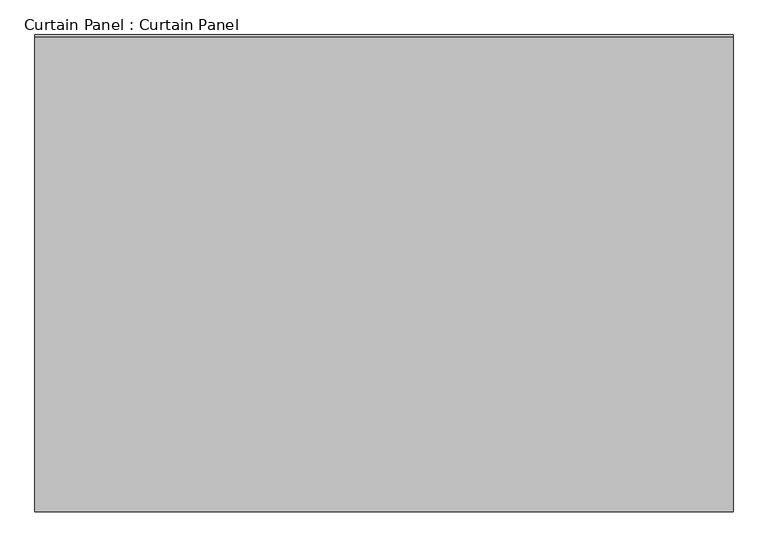
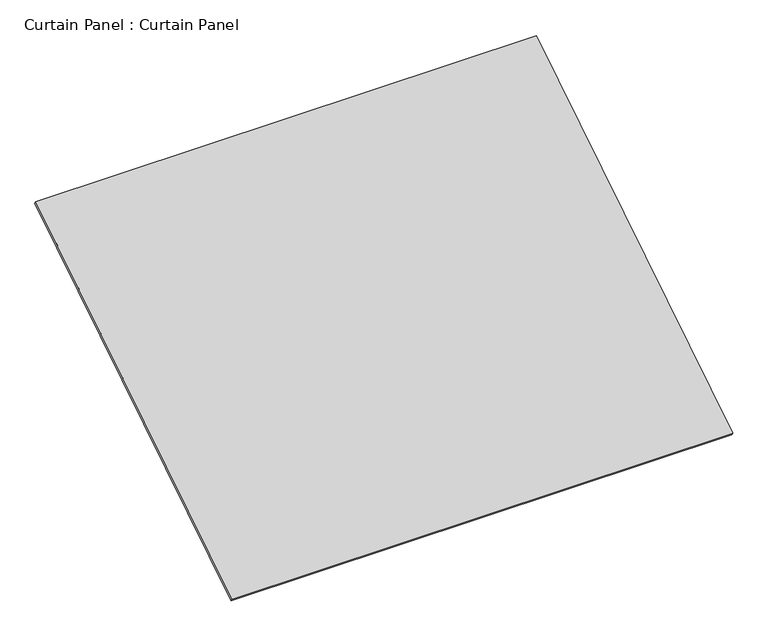
"""IFC4 building model written with IfcOpenShell, lengths in millimetres: plate geometry, Curtain Panel : Curtain Panel."""

from ifc_helpers import new_model, si_unit, frame, origin, place, context, project, spatial, polyline, outline, extrude, source, transform, mapped, element, save


def curtain_panel_curtain_panel_a46b7a1e(model_context):
    return source(origin(), model_context, "Body", "SweptSolid", [
        extrude(outline(polyline([(3754.902951, 0.0), (3754.902951, -3013.0579223), (0.0, -3013.0579223), (0.0, 0.0), (3754.902951, 0.0)])), frame((-126814.6430895, 1236.2905288, 10424.4131447), z_axis=(0.0, -0.5318918435658209, 0.8468122972348432), x_axis=(-1.0, 0.0, 0.0)), (0.0, 0.0, 1.0), 25.4),
    ])


if __name__ == "__main__":
    model = new_model("IFC4")
    model_context = context("Model", 3, world=origin())
    ifc_project = project(units=[si_unit("LENGTHUNIT", "METRE", prefix="MILLI")], contexts=[model_context])
    site = spatial("IfcSite", under=ifc_project)
    building = spatial("IfcBuilding", under=site)
    placement = place(None, origin())
    curtain_panel_curtain_panel_shape = curtain_panel_curtain_panel_a46b7a1e(model_context)
    element("IfcPlate", 1, ObjectType="Curtain Panel : Curtain Panel", at=placement, inside=building, context=model_context, shape_type="MappedRepresentation", body=[
        mapped(curtain_panel_curtain_panel_shape, transform((0.0, 0.0, 0.0), x_axis=(1.0, 0.0, 0.0), y_axis=(0.0, 1.0, 0.0), z_axis=(0.0, 0.0, 1.0))),
    ])
    save(model, "model.ifc")
